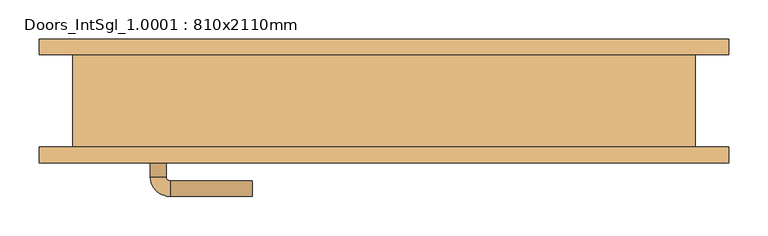
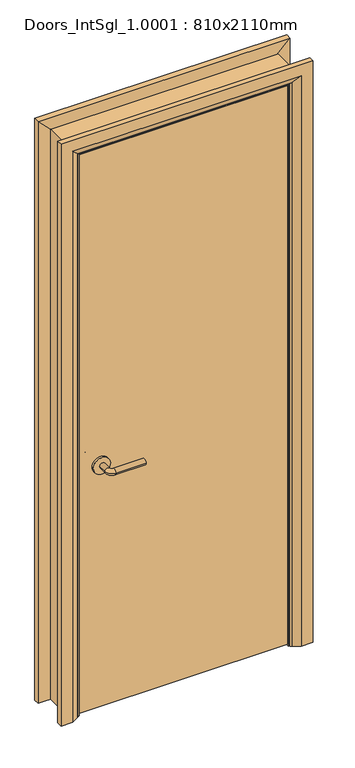
"""IFC4 building model written with IfcOpenShell, lengths in millimetres: door geometry, Doors_IntSgl_1.0001 : 810x2110mm."""

from ifc_helpers import new_model, si_unit, point, frame, frame_2d, origin, place, context, project, spatial, polyline, circle_curve, ellipse_curve, trimmed, segment, composite_curve, outline, extrude, faceted_brep, source, transform, mapped, element, save
from ifc_brep_helpers import plane_surface, cylinder_surface, revolved_surface, advanced_brep


def doors_intsgl_1_0001_810x2110mm_90f960b1(model_context):
    return source(origin(), model_context, "Body", "SolidModel", [
        advanced_brep(
        [(-298.0, -13.0, 900.0), (-278.0, -13.0, 900.0), (-298.0, 17.0, 900.0), (-278.0, 17.0, 900.0), (-273.0, 22.0, 900.0), (-273.0, 42.0, 900.0), (-168.0, 42.0, 900.0), (-168.0, 22.0, 900.0)],
        [
            (0, 1, circle_curve(frame((-288.0, -13.0, 900.0), z_axis=(0.0, -1.0, 0.0), x_axis=(1.0, 0.0, 0.0)), 10.0)),
            (1, 0, circle_curve(frame((-288.0, -13.0, 900.0), z_axis=(0.0, -1.0, 0.0), x_axis=(1.0, 0.0, 0.0)), 10.0)),
            (0, 2),
            (2, 3, circle_curve(frame((-288.0, 17.0, 900.0), z_axis=(0.0, -1.0, 0.0), x_axis=(1.0, 0.0, 0.0)), 10.0)),
            (3, 1),
            (3, 2, circle_curve(frame((-288.0, 17.0, 900.0), z_axis=(0.0, -1.0, 0.0), x_axis=(1.0, 0.0, 0.0)), 10.0)),
            (4, 3, circle_curve(frame((-273.0, 17.0, 900.0), z_axis=(0.0, 0.0, 1.0), x_axis=(-1.0, 0.0, 0.0)), 5.0)),
            (2, 5, circle_curve(frame((-273.0, 17.0, 900.0), z_axis=(0.0, 0.0, -1.0), x_axis=(-1.0, 0.0, 0.0)), 25.0)),
            (5, 4, circle_curve(frame((-273.0, 32.0, 900.0), z_axis=(-1.0, 0.0, 0.0), x_axis=(0.0, -1.0, 0.0)), 10.0)),
            (4, 5, circle_curve(frame((-273.0, 32.0, 900.0), z_axis=(-1.0, 0.0, 0.0), x_axis=(0.0, -1.0, 0.0)), 10.0)),
            (6, 7, circle_curve(frame((-168.0, 32.0, 900.0), z_axis=(1.0, 0.0, 0.0), x_axis=(0.0, -1.0, 0.0)), 10.0)),
            (7, 6, circle_curve(frame((-168.0, 32.0, 900.0), z_axis=(1.0, 0.0, 0.0), x_axis=(0.0, -1.0, 0.0)), 10.0)),
            (5, 6),
            (7, 4),
        ],
        [
            plane_surface(frame((-288.0, -13.0, 900.0), z_axis=(0.0, -1.0, 0.0), x_axis=(0.0, 0.0, 1.0))),
            cylinder_surface(frame((-288.0, -13.0, 900.0), z_axis=(0.0, -1.0, 0.0), x_axis=(1.0, 0.0, 0.0)), 10.0),
            revolved_surface(trimmed(ellipse_curve(frame((-288.0, 17.0, 900.0), z_axis=(0.0, -1.0, 0.0), x_axis=(1.0, 0.0, 0.0)), 10.0, 10.0), [point((-298.0, 17.0, 900.0))], [point((-278.0, 17.0, 900.0))], True, "CARTESIAN"), (-273.0, 17.0, 900.0), (0.0, 0.0, -1.0)),
            revolved_surface(trimmed(ellipse_curve(frame((-288.0, 17.0, 900.0), z_axis=(0.0, -1.0, 0.0), x_axis=(1.0, 0.0, 0.0)), 10.0, 10.0), [point((-278.0, 17.0, 900.0))], [point((-298.0, 17.0, 900.0))], True, "CARTESIAN"), (-273.0, 17.0, 900.0), (0.0, 0.0, -1.0)),
            plane_surface(frame((-168.0, 32.0, 900.0), z_axis=(1.0, 0.0, 0.0), x_axis=(0.0, 0.0, 1.0))),
            cylinder_surface(frame((-273.0, 32.0, 900.0), z_axis=(-1.0, 0.0, 0.0), x_axis=(0.0, -1.0, 0.0)), 10.0),
        ],
        [
            (0, [[1, 2]]),
            (1, [[-1, 3, 4, 5]]),
            (1, [[-2, -5, 6, -3]]),
            (2, [[7, -4, 8, 9]]),
            (3, [[-8, -6, -7, 10]]),
            (4, [[11, 12]]),
            (5, [[-9, 13, -12, 14]]),
            (5, [[-10, -14, -11, -13]]),
        ],
    ),
        extrude(outline(composite_curve([segment(trimmed(circle_curve(frame_2d((900.0, -290.5)), 30.0), [point((900.0, -320.5))], [point((900.0, -260.5))], False, "CARTESIAN"), True, "CONTINUOUS"), segment(trimmed(circle_curve(frame_2d((900.0, -290.5)), 30.0), [point((900.0, -260.5))], [point((900.0, -320.5))], False, "CARTESIAN"), True, "CONTINUOUS")], self_intersect=False)), frame((0.0, -21.0, 0.0), z_axis=(0.0, 1.0, 0.0), x_axis=(0.0, 0.0, 1.0)), (0.0, 0.0, 1.0), 8.0),
        advanced_brep(
        [(-298.0, -67.0, 900.0), (-278.0, -67.0, 900.0), (-278.0, -97.0, 900.0), (-298.0, -97.0, 900.0), (-273.0, -102.0, 900.0), (-273.0, -122.0, 900.0), (-168.0, -122.0, 900.0), (-168.0, -102.0, 900.0)],
        [
            (0, 1, circle_curve(frame((-288.0, -67.0, 900.0), z_axis=(0.0, 1.0, 0.0), x_axis=(1.0, 0.0, 0.0)), 10.0)),
            (1, 0, circle_curve(frame((-288.0, -67.0, 900.0), z_axis=(0.0, 1.0, 0.0), x_axis=(1.0, 0.0, 0.0)), 10.0)),
            (1, 2),
            (2, 3, circle_curve(frame((-288.0, -97.0, 900.0), z_axis=(0.0, 1.0, 0.0), x_axis=(1.0, 0.0, 0.0)), 10.0)),
            (3, 0),
            (3, 2, circle_curve(frame((-288.0, -97.0, 900.0), z_axis=(0.0, 1.0, 0.0), x_axis=(1.0, 0.0, 0.0)), 10.0)),
            (4, 5, circle_curve(frame((-273.0, -112.0, 900.0), z_axis=(-1.0, 0.0, 0.0), x_axis=(0.0, 1.0, 0.0)), 10.0)),
            (5, 3, circle_curve(frame((-273.0, -97.0, 900.0), z_axis=(0.0, 0.0, -1.0), x_axis=(-1.0, 0.0, 0.0)), 25.0)),
            (2, 4, circle_curve(frame((-273.0, -97.0, 900.0), z_axis=(0.0, 0.0, 1.0), x_axis=(-1.0, 0.0, 0.0)), 5.0)),
            (5, 4, circle_curve(frame((-273.0, -112.0, 900.0), z_axis=(-1.0, 0.0, 0.0), x_axis=(0.0, 1.0, 0.0)), 10.0)),
            (6, 7, circle_curve(frame((-168.0, -112.0, 900.0), z_axis=(1.0, 0.0, 0.0), x_axis=(0.0, 1.0, 0.0)), 10.0)),
            (7, 6, circle_curve(frame((-168.0, -112.0, 900.0), z_axis=(1.0, 0.0, 0.0), x_axis=(0.0, 1.0, 0.0)), 10.0)),
            (4, 7),
            (6, 5),
        ],
        [
            plane_surface(frame((-288.0, -67.0, 900.0), z_axis=(0.0, 1.0, 0.0), x_axis=(0.0, 0.0, 1.0))),
            cylinder_surface(frame((-288.0, -67.0, 900.0), z_axis=(0.0, 1.0, 0.0), x_axis=(1.0, 0.0, 0.0)), 10.0),
            revolved_surface(trimmed(ellipse_curve(frame((-288.0, -97.0, 900.0), z_axis=(0.0, -1.0, 0.0), x_axis=(1.0, 0.0, 0.0)), 10.0, 10.0), [point((-298.0, -97.0, 900.0))], [point((-278.0, -97.0, 900.0))], True, "CARTESIAN"), (-273.0, -97.0, 900.0), (0.0, 0.0, -1.0)),
            revolved_surface(trimmed(ellipse_curve(frame((-288.0, -97.0, 900.0), z_axis=(0.0, -1.0, 0.0), x_axis=(1.0, 0.0, 0.0)), 10.0, 10.0), [point((-278.0, -97.0, 900.0))], [point((-298.0, -97.0, 900.0))], True, "CARTESIAN"), (-273.0, -97.0, 900.0), (0.0, 0.0, -1.0)),
            plane_surface(frame((-168.0, -112.0, 900.0), z_axis=(1.0, 0.0, 0.0), x_axis=(0.0, 0.0, 1.0))),
            cylinder_surface(frame((-273.0, -112.0, 900.0), z_axis=(-1.0, 0.0, 0.0), x_axis=(0.0, 1.0, 0.0)), 10.0),
        ],
        [
            (0, [[1, 2]]),
            (1, [[3, 4, 5, -2]]),
            (1, [[-5, 6, -3, -1]]),
            (2, [[7, 8, -4, 9]]),
            (3, [[10, -9, -6, -8]]),
            (4, [[11, 12]]),
            (5, [[13, -11, 14, -7]]),
            (5, [[-14, -12, -13, -10]]),
        ],
    ),
        extrude(outline(composite_curve([segment(trimmed(circle_curve(frame_2d((900.0, -290.5)), 30.0), [point((900.0, -320.5))], [point((900.0, -260.5))], False, "CARTESIAN"), True, "CONTINUOUS"), segment(trimmed(circle_curve(frame_2d((900.0, -290.5)), 30.0), [point((900.0, -260.5))], [point((900.0, -320.5))], False, "CARTESIAN"), True, "CONTINUOUS")], self_intersect=False)), frame((0.0, -67.0, 0.0), z_axis=(0.0, 1.0, 0.0), x_axis=(0.0, 0.0, 1.0)), (0.0, 0.0, 1.0), 8.0),
        extrude(outline(polyline([(363.0, -21.0), (363.0, -59.0), (-363.0, -59.0), (-363.0, -21.0), (363.0, -21.0)])), frame((0.0, 0.0, 8.0), z_axis=(0.0, 0.0, 1.0), x_axis=(1.0, 0.0, 0.0)), (0.0, 0.0, 1.0), 2060.0),
        advanced_brep(
        [(440.0, -79.0, 0.0), (400.0, -79.0, 0.0), (374.0, -65.0, 0.0), (370.0, -59.0, 0.0), (440.0, -59.0, 0.0), (440.0, -59.0, 2145.0), (440.0, -79.0, 2145.0), (370.0, -59.0, 2075.0), (-370.0, -59.0, 2075.0), (-370.0, -59.0, 0.0), (-440.0, -59.0, 0.0), (-440.0, -59.0, 2145.0), (374.0, -65.0, 2079.0), (400.0, -79.0, 2105.0), (-440.0, -79.0, 2145.0), (-440.0, -79.0, 0.0), (-400.0, -79.0, 0.0), (-400.0, -79.0, 2105.0), (-374.0, -65.0, 0.0), (-374.0, -65.0, 2079.0)],
        [
            (0, 1),
            (1, 2),
            (2, 3, circle_curve(frame((378.0, -58.0, 0.0), z_axis=(0.0, 0.0, -1.0), x_axis=(1.0, 0.0, 0.0)), 8.0622577)),
            (3, 4),
            (4, 0),
            (4, 5),
            (5, 6),
            (6, 0),
            (3, 7),
            (7, 8),
            (8, 9),
            (9, 10),
            (10, 11),
            (11, 5),
            (2, 12),
            (12, 7, ellipse_curve(frame((378.0, -58.0, 2083.0), z_axis=(0.7071067811865475, 0.0, -0.7071067811865475), x_axis=(-0.7071067811865474, 0.0, -0.7071067811865476)), 11.4017543, 8.0622577)),
            (1, 13),
            (13, 12),
            (6, 14),
            (14, 15),
            (15, 16),
            (16, 17),
            (17, 13),
            (10, 15),
            (14, 11),
            (9, 18, circle_curve(frame((-378.0, -58.0, 0.0), z_axis=(0.0, 0.0, -1.0), x_axis=(-1.0, 0.0, 0.0)), 8.0622577)),
            (18, 16),
            (19, 18),
            (8, 19, ellipse_curve(frame((-378.0, -58.0, 2083.0), z_axis=(-0.7071067811865475, 0.0, -0.7071067811865475), x_axis=(-0.7071067811865474, 0.0, 0.7071067811865476)), 11.4017543, 8.0622577)),
            (19, 17),
            (12, 19),
        ],
        [
            plane_surface(frame((370.0, -59.0, 0.0), z_axis=(0.0, 0.0, -1.0), x_axis=(0.0, 1.0, 0.0))),
            plane_surface(frame((440.0, -79.0, 0.0), z_axis=(1.0, 0.0, 0.0), x_axis=(0.0, 0.0, 1.0))),
            plane_surface(frame((440.0, -59.0, 0.0), z_axis=(0.0, 1.0, 0.0), x_axis=(0.0, 0.0, 1.0))),
            cylinder_surface(frame((378.0, -58.0, 0.0), z_axis=(0.0, 0.0, -1.0), x_axis=(1.0, 0.0, 0.0)), 8.0622577),
            plane_surface(frame((374.0, -65.0, 0.0), z_axis=(-0.4740998230350126, -0.880471099922178, 0.0), x_axis=(0.0, 0.0, 1.0))),
            plane_surface(frame((400.0, -79.0, 0.0), z_axis=(0.0, -1.0, 0.0), x_axis=(0.0, 0.0, 1.0))),
            plane_surface(frame((-440.0, -79.0, 2145.0), z_axis=(-1.0, 0.0, 0.0), x_axis=(0.0, 0.0, -1.0))),
            plane_surface(frame((-370.0, -59.0, 0.0), z_axis=(0.0, 0.0, -1.0), x_axis=(0.0, 1.0, 0.0))),
            cylinder_surface(frame((-378.0, -58.0, 2075.0), z_axis=(0.0, 0.0, 1.0), x_axis=(-1.0, 0.0, 0.0)), 8.0622577),
            plane_surface(frame((-374.0, -65.0, 2079.0), z_axis=(0.47409982303501824, -0.8804710999221749, 0.0), x_axis=(0.0, 0.0, -1.0))),
            plane_surface(frame((440.0, -79.0, 2145.0), z_axis=(0.0, 0.0, 1.0), x_axis=(-1.0, 0.0, 0.0))),
            cylinder_surface(frame((370.0, -58.0, 2083.0), z_axis=(1.0, 0.0, 0.0), x_axis=(0.0, 0.0, 1.0)), 8.0622577),
            plane_surface(frame((374.0, -65.0, 2079.0), z_axis=(0.0, -0.8804710999221764, -0.4740998230350154), x_axis=(-1.0, 0.0, 0.0))),
        ],
        [
            (0, [[1, 2, 3, 4, 5]]),
            (1, [[6, 7, 8, -5]]),
            (2, [[9, 10, 11, 12, 13, 14, -6, -4]]),
            (3, [[15, 16, -9, -3]]),
            (4, [[17, 18, -15, -2]]),
            (5, [[-8, 19, 20, 21, 22, 23, -17, -1]]),
            (6, [[-13, 24, -20, 25]]),
            (7, [[-24, -12, 26, 27, -21]]),
            (8, [[28, -26, -11, 29]]),
            (9, [[-22, -27, -28, 30]]),
            (10, [[-14, -25, -19, -7]]),
            (11, [[31, -29, -10, -16]]),
            (12, [[-23, -30, -31, -18]]),
        ],
    ),
        extrude(outline(polyline([(0.0, -346.0), (2051.0, -346.0), (2051.0, 346.0), (0.0, 346.0), (0.0, 365.0), (2070.0, 365.0), (2070.0, -365.0), (0.0, -365.0), (0.0, -346.0)])), frame((0.0, -19.0, 0.0), z_axis=(0.0, 1.0, 0.0), x_axis=(0.0, 0.0, 1.0)), (0.0, 0.0, 1.0), 32.0),
        advanced_brep(
        [(-440.0, 79.0, 0.0), (-400.0, 79.0, 0.0), (-374.0, 65.0, 0.0), (-370.0, 59.0, 0.0), (-440.0, 59.0, 0.0), (-440.0, 59.0, 2145.0), (-440.0, 79.0, 2145.0), (-370.0, 59.0, 2075.0), (-374.0, 65.0, 2079.0), (-400.0, 79.0, 2105.0), (440.0, 79.0, 0.0), (440.0, 59.0, 0.0), (370.0, 59.0, 0.0), (374.0, 65.0, 0.0), (400.0, 79.0, 0.0), (440.0, 79.0, 2145.0), (400.0, 79.0, 2105.0), (374.0, 65.0, 2079.0), (370.0, 59.0, 2075.0), (440.0, 59.0, 2145.0)],
        [
            (0, 1),
            (1, 2),
            (2, 3, circle_curve(frame((-378.0, 58.0, 0.0), z_axis=(0.0, 0.0, -1.0), x_axis=(-1.0, 0.0, 0.0)), 8.0622577)),
            (3, 4),
            (4, 0),
            (4, 5),
            (5, 6),
            (6, 0),
            (3, 7),
            (7, 5),
            (2, 8),
            (8, 7, ellipse_curve(frame((-378.0, 58.0, 2083.0), z_axis=(-0.7071067811865475, 0.0, -0.7071067811865475), x_axis=(0.7071067811865474, 0.0, -0.7071067811865476)), 11.4017543, 8.0622577)),
            (1, 9),
            (9, 8),
            (6, 9),
            (10, 11),
            (11, 12),
            (12, 13, circle_curve(frame((378.0, 58.0, 0.0), z_axis=(0.0, 0.0, -1.0), x_axis=(1.0, 0.0, 0.0)), 8.0622577)),
            (13, 14),
            (14, 10),
            (15, 10),
            (14, 16),
            (16, 15),
            (13, 17),
            (17, 16),
            (12, 18),
            (18, 17, ellipse_curve(frame((378.0, 58.0, 2083.0), z_axis=(0.7071067811865475, 0.0, -0.7071067811865475), x_axis=(0.7071067811865474, 0.0, 0.7071067811865476)), 11.4017543, 8.0622577)),
            (11, 19),
            (19, 18),
            (15, 19),
            (5, 19),
            (15, 6),
            (7, 18),
            (8, 17),
            (9, 16),
        ],
        [
            plane_surface(frame((-370.0, 131.8010989, 0.0), z_axis=(0.0, 0.0, -1.0), x_axis=(1.0, 0.0, 0.0))),
            plane_surface(frame((-440.0, 79.0, 0.0), z_axis=(-1.0, 0.0, 0.0), x_axis=(0.0, 0.0, 1.0))),
            plane_surface(frame((-440.0, 59.0, 0.0), z_axis=(0.0, -1.0, 0.0), x_axis=(0.0, 0.0, 1.0))),
            cylinder_surface(frame((-378.0, 58.0, 0.0), z_axis=(0.0, 0.0, -1.0), x_axis=(-1.0, 0.0, 0.0)), 8.0622577),
            plane_surface(frame((-374.0, 65.0, 0.0), z_axis=(0.4740998230350183, 0.8804710999221749, 0.0), x_axis=(0.0, 0.0, 1.0))),
            plane_surface(frame((-400.0, 79.0, 0.0), z_axis=(0.0, 1.0, 0.0), x_axis=(0.0, 0.0, 1.0))),
            plane_surface(frame((370.0, 131.8010989, 0.0), z_axis=(0.0, 0.0, -1.0), x_axis=(-1.0, 0.0, 0.0))),
            plane_surface(frame((400.0, 79.0, 2105.0), z_axis=(0.0, 1.0, 0.0), x_axis=(0.0, 0.0, -1.0))),
            plane_surface(frame((374.0, 65.0, 2079.0), z_axis=(-0.4740998230350183, 0.8804710999221749, 0.0), x_axis=(0.0, 0.0, -1.0))),
            cylinder_surface(frame((378.0, 58.0, 2075.0), z_axis=(0.0, 0.0, 1.0), x_axis=(1.0, 0.0, 0.0)), 8.0622577),
            plane_surface(frame((440.0, 59.0, 2145.0), z_axis=(0.0, -1.0, 0.0), x_axis=(0.0, 0.0, -1.0))),
            plane_surface(frame((440.0, 79.0, 2145.0), z_axis=(1.0, 0.0, 0.0), x_axis=(0.0, 0.0, -1.0))),
            plane_surface(frame((-440.0, 79.0, 2145.0), z_axis=(0.0, 0.0, 1.0), x_axis=(1.0, 0.0, 0.0))),
            plane_surface(frame((-440.0, 59.0, 2145.0), z_axis=(0.0, -1.0, 0.0), x_axis=(1.0, 0.0, 0.0))),
            cylinder_surface(frame((-370.0, 58.0, 2083.0), z_axis=(-1.0, 0.0, 0.0), x_axis=(0.0, 0.0, 1.0)), 8.0622577),
            plane_surface(frame((-374.0, 65.0, 2079.0), z_axis=(0.0, 0.8804710999221749, -0.4740998230350183), x_axis=(1.0, 0.0, 0.0))),
            plane_surface(frame((-400.0, 79.0, 2105.0), z_axis=(0.0, 1.0, 0.0), x_axis=(1.0, 0.0, 0.0))),
        ],
        [
            (0, [[1, 2, 3, 4, 5]]),
            (1, [[6, 7, 8, -5]]),
            (2, [[9, 10, -6, -4]]),
            (3, [[11, 12, -9, -3]]),
            (4, [[13, 14, -11, -2]]),
            (5, [[-8, 15, -13, -1]]),
            (6, [[16, 17, 18, 19, 20]]),
            (7, [[21, -20, 22, 23]]),
            (8, [[-22, -19, 24, 25]]),
            (9, [[-24, -18, 26, 27]]),
            (10, [[-26, -17, 28, 29]]),
            (11, [[-28, -16, -21, 30]]),
            (12, [[31, -30, 32, -7]]),
            (13, [[33, -29, -31, -10]]),
            (14, [[34, -27, -33, -12]]),
            (15, [[35, -25, -34, -14]]),
            (16, [[-32, -23, -35, -15]]),
        ],
    ),
        faceted_brep([(-365.0, -59.0, 0.0), (-397.0, -59.0, 0.0), (-397.0, 59.0, 0.0), (-365.0, 59.0, 0.0), (-365.0, 59.0, 2070.0), (-365.0, -59.0, 2070.0), (-397.0, 59.0, 2102.0), (-397.0, -59.0, 2102.0), (365.0, -59.0, 0.0), (365.0, 59.0, 0.0), (397.0, 59.0, 0.0), (397.0, -59.0, 0.0), (365.0, -59.0, 2070.0), (397.0, -59.0, 2102.0), (397.0, 59.0, 2102.0), (365.0, 59.0, 2070.0)], [[[0, 1, 2, 3]], [[3, 4, 5, 0]], [[2, 6, 4, 3]], [[1, 7, 6, 2]], [[0, 5, 7, 1]], [[8, 9, 10, 11]], [[12, 8, 11, 13]], [[13, 11, 10, 14]], [[14, 10, 9, 15]], [[15, 9, 8, 12]], [[4, 15, 12, 5]], [[6, 14, 15, 4]], [[7, 13, 14, 6]], [[5, 12, 13, 7]]]),
    ])


if __name__ == "__main__":
    model = new_model("IFC4")
    model_context = context("Model", 3, world=origin())
    ifc_project = project(units=[si_unit("LENGTHUNIT", "METRE", prefix="MILLI")], contexts=[model_context])
    site = spatial("IfcSite", under=ifc_project)
    building = spatial("IfcBuilding", under=site)
    placement = place(None, origin())
    doors_intsgl_1_0001_810x2110mm_shape = doors_intsgl_1_0001_810x2110mm_90f960b1(model_context)
    element("IfcDoor", 1, ObjectType="Doors_IntSgl_1.0001 : 810x2110mm", at=placement, inside=building, context=model_context, shape_type="MappedRepresentation", body=[
        mapped(doors_intsgl_1_0001_810x2110mm_shape, transform((0.0, 0.0, 0.0), x_axis=(1.0, 0.0, 0.0), y_axis=(0.0, 1.0, 0.0), z_axis=(0.0, 0.0, 1.0))),
    ])
    save(model, "model.ifc")
